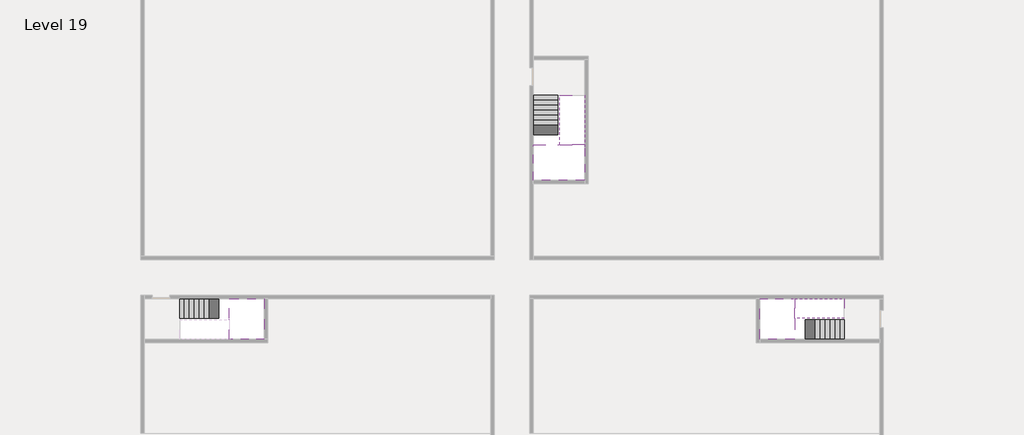
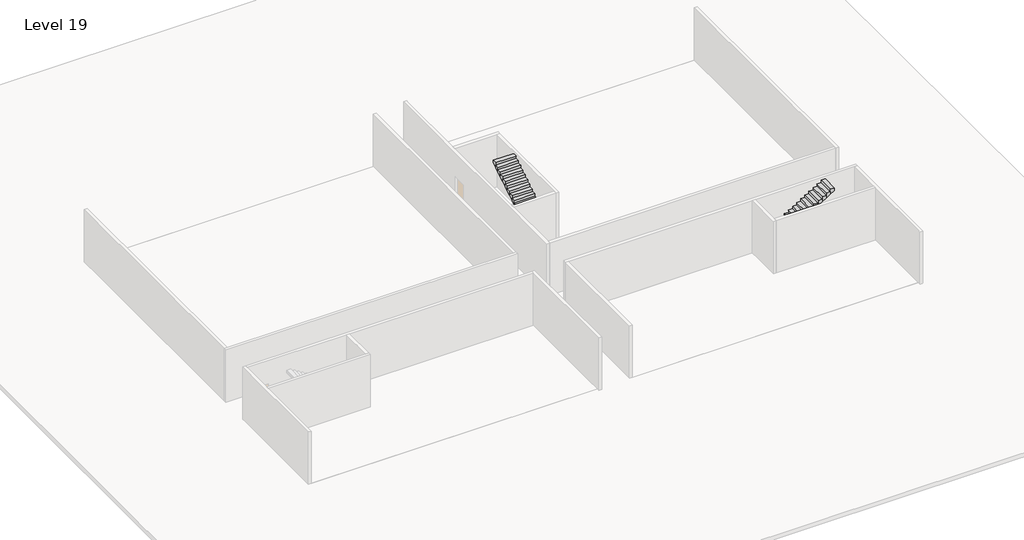
# One storey, part 2 of 2: 5 stair flights, 3 slabs.
"""IFC4 building model written with IfcOpenShell, lengths in millimetres."""

from ifc_helpers import new_model, si_unit, origin, place, context, project, spatial, faceted_brep, element, save

model = new_model("IFC4")

# Units and contexts
model_context = context("Model", 3, world=origin())
ifc_project = project(units=[si_unit("LENGTHUNIT", "METRE", prefix="MILLI")], contexts=[model_context])

# Site, building, storey
site = spatial("IfcSite", under=ifc_project)
building = spatial("IfcBuilding", under=site)
storey = spatial("IfcBuildingStorey", under=building, Name="Level 19", Elevation=68400.0)

# Slabs
placement = place(None, origin())
element("IfcSlab", 1, at=placement, inside=storey, context=model_context, shape_type="Brep", body=[
    faceted_brep([(8190.1058784, -42918.09644, 70300.0), (8190.1058784, -44018.09644, 70300.0), (8190.1058784, -44118.09644, 70300.0), (8190.1058784, -45218.09644, 70300.0), (8390.7194421, -45218.09644, 70300.0), (10190.1058784, -45218.09644, 70300.0), (10190.1058784, -42918.09644, 70300.0), (8269.4923146, -42918.09644, 70300.0), (8190.1058784, -42918.09644, 70127.2727273), (8190.1058784, -42918.09644, 69951.0278478), (8190.1058784, -44018.09644, 69951.0278478), (8190.1058784, -44018.09644, 70000.0), (8190.1058784, -44118.09644, 70000.0), (8190.1058784, -44118.09644, 70123.7551205), (8190.1058784, -45218.09644, 70123.7551205), (8390.7194421, -45218.09644, 70000.0), (10190.1058784, -45218.09644, 70000.0), (10190.1058784, -42918.09644, 70000.0), (8269.4923146, -42918.09644, 70000.0), (8390.7194421, -44118.09644, 70000.0), (8269.4923146, -44018.09644, 70000.0)], [[[0, 1, 2, 3, 4, 5, 6, 7]], [[1, 0, 8, 9, 10, 11]], [[2, 1, 11, 12, 13]], [[3, 2, 13, 14]], [[3, 14, 15, 16, 5, 4]], [[6, 5, 16, 17]], [[9, 8, 0, 7, 6, 17, 18]], [[19, 12, 11, 20, 18, 17, 16, 15]], [[12, 19, 13]], [[18, 20, 10, 9]], [[20, 11, 10]], [[19, 15, 14, 13]]]),
])
element("IfcSlab", 2, at=placement, inside=storey, context=model_context, shape_type="Brep", body=[
    faceted_brep([(40190.1058784, -45218.09644, 70300.0), (40190.1058784, -44118.09644, 70300.0), (40190.1058784, -44018.09644, 70300.0), (40190.1058784, -42918.09644, 70300.0), (39989.4923146, -42918.09644, 70300.0), (38190.1058784, -42918.09644, 70300.0), (38190.1058784, -45218.09644, 70300.0), (40110.7194421, -45218.09644, 70300.0), (40190.1058784, -45218.09644, 70127.2727273), (40190.1058784, -45218.09644, 69951.0278478), (40190.1058784, -44118.09644, 69951.0278478), (40190.1058784, -44118.09644, 70000.0), (40190.1058784, -44018.09644, 70000.0), (40190.1058784, -44018.09644, 70123.7551205), (40190.1058784, -42918.09644, 70123.7551205), (39989.4923146, -42918.09644, 70000.0), (38190.1058784, -42918.09644, 70000.0), (38190.1058784, -45218.09644, 70000.0), (40110.7194421, -45218.09644, 70000.0), (39989.4923146, -44018.09644, 70000.0), (40110.7194421, -44118.09644, 70000.0)], [[[0, 1, 2, 3, 4, 5, 6, 7]], [[1, 0, 8, 9, 10, 11]], [[2, 1, 11, 12, 13]], [[3, 2, 13, 14]], [[3, 14, 15, 16, 5, 4]], [[6, 5, 16, 17]], [[9, 8, 0, 7, 6, 17, 18]], [[19, 12, 11, 20, 18, 17, 16, 15]], [[12, 19, 13]], [[18, 20, 10, 9]], [[20, 11, 10]], [[19, 15, 14, 13]]]),
])
element("IfcSlab", 3, at=placement, inside=storey, context=model_context, shape_type="Brep", body=[
    faceted_brep([(26790.1058784, -34218.09644, 70300.0), (25390.1058784, -34218.09644, 70300.0), (25390.1058784, -34297.4828763, 70300.0), (25390.1058784, -36218.09644, 70300.0), (28290.1058784, -36218.09644, 70300.0), (28290.1058784, -34418.7100038, 70300.0), (28290.1058784, -34218.09644, 70300.0), (26890.1058784, -34218.09644, 70300.0), (26790.1058784, -34218.09644, 70000.0), (26790.1058784, -34218.09644, 69951.0278478), (25390.1058784, -34218.09644, 69951.0278478), (25390.1058784, -34218.09644, 70127.2727273), (25390.1058784, -34297.4828763, 70000.0), (25390.1058784, -36218.09644, 70000.0), (28290.1058784, -36218.09644, 70000.0), (28290.1058784, -34418.7100038, 70000.0), (28290.1058784, -34218.09644, 70123.7551205), (26890.1058784, -34218.09644, 70123.7551205), (26890.1058784, -34218.09644, 70000.0), (26890.1058784, -34418.7100038, 70000.0), (26790.1058784, -34297.4828763, 70000.0)], [[[0, 1, 2, 3, 4, 5, 6, 7]], [[1, 0, 8, 9, 10, 11]], [[1, 11, 10, 12, 13, 3, 2]], [[4, 3, 13, 14]], [[4, 14, 15, 16, 6, 5]], [[7, 6, 16, 17]], [[0, 7, 17, 18, 8]], [[18, 19, 15, 14, 13, 12, 20, 8]], [[19, 18, 17]], [[20, 12, 10, 9]], [[8, 20, 9]], [[15, 19, 17, 16]]]),
])

# Stair flights
element("IfcStairFlight", 4, at=placement, inside=storey, context=model_context, shape_type="Brep", body=[
    faceted_brep([(5670.1058784, -42918.09644, 68572.7272727), (5390.1058784, -42918.09644, 68572.7272727), (5390.1058784, -44018.09644, 68572.7272727), (5670.1058784, -44018.09644, 68572.7272727), (5670.1058784, -42918.09644, 68400.0), (5390.1058784, -42918.09644, 68400.0), (5390.1058784, -44018.09644, 68400.0), (5670.1058784, -44018.09644, 68400.0), (5950.1058784, -42918.09644, 68745.4545455), (5670.1058784, -42918.09644, 68745.4545455), (5670.1058784, -44018.09644, 68745.4545455), (5950.1058784, -44018.09644, 68745.4545455), (5950.1058784, -42918.09644, 68569.209666), (5675.8081041, -42918.09644, 68400.0), (5675.8081041, -44018.09644, 68400.0), (5950.1058784, -44018.09644, 68569.209666), (6230.1058784, -42918.09644, 68918.1818182), (5950.1058784, -42918.09644, 68918.1818182), (5950.1058784, -44018.09644, 68918.1818182), (6230.1058784, -44018.09644, 68918.1818182), (6230.1058784, -42918.09644, 68741.9369387), (6230.1058784, -44018.09644, 68741.9369387), (6510.1058784, -42918.09644, 69090.9090909), (6230.1058784, -42918.09644, 69090.9090909), (6230.1058784, -44018.09644, 69090.9090909), (6510.1058784, -44018.09644, 69090.9090909), (6510.1058784, -42918.09644, 68914.6642114), (6510.1058784, -44018.09644, 68914.6642114), (6790.1058784, -42918.09644, 69263.6363636), (6510.1058784, -42918.09644, 69263.6363636), (6510.1058784, -44018.09644, 69263.6363636), (6790.1058784, -44018.09644, 69263.6363636), (6790.1058784, -42918.09644, 69087.3914841), (6790.1058784, -44018.09644, 69087.3914841), (7070.1058784, -42918.09644, 69436.3636364), (6790.1058784, -42918.09644, 69436.3636364), (6790.1058784, -44018.09644, 69436.3636364), (7070.1058784, -44018.09644, 69436.3636364), (7070.1058784, -42918.09644, 69260.1187569), (7070.1058784, -44018.09644, 69260.1187569), (7350.1058784, -42918.09644, 69609.0909091), (7070.1058784, -42918.09644, 69609.0909091), (7070.1058784, -44018.09644, 69609.0909091), (7350.1058784, -44018.09644, 69609.0909091), (7350.1058784, -42918.09644, 69432.8460296), (7350.1058784, -44018.09644, 69432.8460296), (7630.1058784, -42918.09644, 69781.8181818), (7350.1058784, -42918.09644, 69781.8181818), (7350.1058784, -44018.09644, 69781.8181818), (7630.1058784, -44018.09644, 69781.8181818), (7630.1058784, -42918.09644, 69605.5733023), (7630.1058784, -44018.09644, 69605.5733023), (7910.1058784, -42918.09644, 69954.5454545), (7630.1058784, -42918.09644, 69954.5454545), (7630.1058784, -44018.09644, 69954.5454545), (7910.1058784, -44018.09644, 69954.5454545), (7910.1058784, -42918.09644, 69778.3005751), (7910.1058784, -44018.09644, 69778.3005751), (8190.1058784, -42918.09644, 70127.2727273), (7910.1058784, -42918.09644, 70127.2727273), (7910.1058784, -44018.09644, 70127.2727273), (8190.1058784, -44018.09644, 70127.2727273), (8190.1058784, -42918.09644, 69951.0278478), (8190.1058784, -44018.09644, 69951.0278478), (8190.1058784, -44018.09644, 70000.0)], [[[0, 1, 2, 3]], [[1, 0, 4, 5]], [[2, 1, 5, 6]], [[3, 2, 6, 7]], [[8, 9, 10, 11]], [[4, 0, 9, 8, 12, 13]], [[0, 3, 10, 9]], [[3, 7, 14, 15, 11, 10]], [[16, 17, 18, 19]], [[17, 16, 20, 12, 8]], [[8, 11, 18, 17]], [[19, 18, 11, 15, 21]], [[22, 23, 24, 25]], [[23, 22, 26, 20, 16]], [[16, 19, 24, 23]], [[25, 24, 19, 21, 27]], [[28, 29, 30, 31]], [[29, 28, 32, 26, 22]], [[22, 25, 30, 29]], [[31, 30, 25, 27, 33]], [[34, 35, 36, 37]], [[35, 34, 38, 32, 28]], [[28, 31, 36, 35]], [[37, 36, 31, 33, 39]], [[40, 41, 42, 43]], [[41, 40, 44, 38, 34]], [[34, 37, 42, 41]], [[43, 42, 37, 39, 45]], [[46, 47, 48, 49]], [[47, 46, 50, 44, 40]], [[40, 43, 48, 47]], [[49, 48, 43, 45, 51]], [[52, 53, 54, 55]], [[53, 52, 56, 50, 46]], [[46, 49, 54, 53]], [[55, 54, 49, 51, 57]], [[58, 59, 60, 61]], [[59, 58, 62, 56, 52]], [[52, 55, 60, 59]], [[61, 60, 55, 57, 63, 64]], [[58, 61, 64, 63, 62]], [[5, 4, 13, 14, 7, 6]], [[14, 13, 12, 20, 26, 32, 38, 44, 50, 56, 62, 63, 57, 51, 45, 39, 33, 27, 21, 15]]]),
])
element("IfcStairFlight", 5, at=placement, inside=storey, context=model_context, shape_type="Brep", body=[
    faceted_brep([(42710.1058784, -45218.09644, 68572.7272727), (42990.1058784, -45218.09644, 68572.7272727), (42990.1058784, -44118.09644, 68572.7272727), (42710.1058784, -44118.09644, 68572.7272727), (42710.1058784, -45218.09644, 68400.0), (42990.1058784, -45218.09644, 68400.0), (42990.1058784, -44118.09644, 68400.0), (42710.1058784, -44118.09644, 68400.0), (42430.1058784, -45218.09644, 68745.4545455), (42710.1058784, -45218.09644, 68745.4545455), (42710.1058784, -44118.09644, 68745.4545455), (42430.1058784, -44118.09644, 68745.4545455), (42430.1058784, -45218.09644, 68569.209666), (42704.4036527, -45218.09644, 68400.0), (42704.4036527, -44118.09644, 68400.0), (42430.1058784, -44118.09644, 68569.209666), (42150.1058784, -45218.09644, 68918.1818182), (42430.1058784, -45218.09644, 68918.1818182), (42430.1058784, -44118.09644, 68918.1818182), (42150.1058784, -44118.09644, 68918.1818182), (42150.1058784, -45218.09644, 68741.9369387), (42150.1058784, -44118.09644, 68741.9369387), (41870.1058784, -45218.09644, 69090.9090909), (42150.1058784, -45218.09644, 69090.9090909), (42150.1058784, -44118.09644, 69090.9090909), (41870.1058784, -44118.09644, 69090.9090909), (41870.1058784, -45218.09644, 68914.6642114), (41870.1058784, -44118.09644, 68914.6642114), (41590.1058784, -45218.09644, 69263.6363636), (41870.1058784, -45218.09644, 69263.6363636), (41870.1058784, -44118.09644, 69263.6363636), (41590.1058784, -44118.09644, 69263.6363636), (41590.1058784, -45218.09644, 69087.3914841), (41590.1058784, -44118.09644, 69087.3914841), (41310.1058784, -45218.09644, 69436.3636364), (41590.1058784, -45218.09644, 69436.3636364), (41590.1058784, -44118.09644, 69436.3636364), (41310.1058784, -44118.09644, 69436.3636364), (41310.1058784, -45218.09644, 69260.1187569), (41310.1058784, -44118.09644, 69260.1187569), (41030.1058784, -45218.09644, 69609.0909091), (41310.1058784, -45218.09644, 69609.0909091), (41310.1058784, -44118.09644, 69609.0909091), (41030.1058784, -44118.09644, 69609.0909091), (41030.1058784, -45218.09644, 69432.8460296), (41030.1058784, -44118.09644, 69432.8460296), (40750.1058784, -45218.09644, 69781.8181818), (41030.1058784, -45218.09644, 69781.8181818), (41030.1058784, -44118.09644, 69781.8181818), (40750.1058784, -44118.09644, 69781.8181818), (40750.1058784, -45218.09644, 69605.5733023), (40750.1058784, -44118.09644, 69605.5733023), (40470.1058784, -45218.09644, 69954.5454545), (40750.1058784, -45218.09644, 69954.5454545), (40750.1058784, -44118.09644, 69954.5454545), (40470.1058784, -44118.09644, 69954.5454545), (40470.1058784, -45218.09644, 69778.3005751), (40470.1058784, -44118.09644, 69778.3005751), (40190.1058784, -45218.09644, 70127.2727273), (40470.1058784, -45218.09644, 70127.2727273), (40470.1058784, -44118.09644, 70127.2727273), (40190.1058784, -44118.09644, 70127.2727273), (40190.1058784, -45218.09644, 69951.0278478), (40190.1058784, -44118.09644, 69951.0278478), (40190.1058784, -44118.09644, 70000.0)], [[[0, 1, 2, 3]], [[1, 0, 4, 5]], [[2, 1, 5, 6]], [[3, 2, 6, 7]], [[8, 9, 10, 11]], [[4, 0, 9, 8, 12, 13]], [[0, 3, 10, 9]], [[3, 7, 14, 15, 11, 10]], [[16, 17, 18, 19]], [[17, 16, 20, 12, 8]], [[8, 11, 18, 17]], [[19, 18, 11, 15, 21]], [[22, 23, 24, 25]], [[23, 22, 26, 20, 16]], [[16, 19, 24, 23]], [[25, 24, 19, 21, 27]], [[28, 29, 30, 31]], [[29, 28, 32, 26, 22]], [[22, 25, 30, 29]], [[31, 30, 25, 27, 33]], [[34, 35, 36, 37]], [[35, 34, 38, 32, 28]], [[28, 31, 36, 35]], [[37, 36, 31, 33, 39]], [[40, 41, 42, 43]], [[41, 40, 44, 38, 34]], [[34, 37, 42, 41]], [[43, 42, 37, 39, 45]], [[46, 47, 48, 49]], [[47, 46, 50, 44, 40]], [[40, 43, 48, 47]], [[49, 48, 43, 45, 51]], [[52, 53, 54, 55]], [[53, 52, 56, 50, 46]], [[46, 49, 54, 53]], [[55, 54, 49, 51, 57]], [[58, 59, 60, 61]], [[59, 58, 62, 56, 52]], [[52, 55, 60, 59]], [[61, 60, 55, 57, 63, 64]], [[58, 61, 64, 63, 62]], [[5, 4, 13, 14, 7, 6]], [[14, 13, 12, 20, 26, 32, 38, 44, 50, 56, 62, 63, 57, 51, 45, 39, 33, 27, 21, 15]]]),
])
element("IfcStairFlight", 6, at=placement, inside=storey, context=model_context, shape_type="Brep", body=[
    faceted_brep([(40470.1058784, -42918.09644, 70472.7272727), (40190.1058784, -42918.09644, 70472.7272727), (40190.1058784, -44018.09644, 70472.7272727), (40470.1058784, -44018.09644, 70472.7272727), (40470.1058784, -42918.09644, 70296.4823932), (40190.1058784, -42918.09644, 70123.7551205), (40190.1058784, -42918.09644, 70300.0), (40190.1058784, -44018.09644, 70123.7551205), (40470.1058784, -44018.09644, 70296.4823932), (40750.1058784, -42918.09644, 70645.4545455), (40470.1058784, -42918.09644, 70645.4545455), (40470.1058784, -44018.09644, 70645.4545455), (40750.1058784, -44018.09644, 70645.4545455), (40750.1058784, -42918.09644, 70469.209666), (40750.1058784, -44018.09644, 70469.209666), (41030.1058784, -42918.09644, 70818.1818182), (40750.1058784, -42918.09644, 70818.1818182), (40750.1058784, -44018.09644, 70818.1818182), (41030.1058784, -44018.09644, 70818.1818182), (41030.1058784, -42918.09644, 70641.9369387), (41030.1058784, -44018.09644, 70641.9369387), (41310.1058784, -42918.09644, 70990.9090909), (41030.1058784, -42918.09644, 70990.9090909), (41030.1058784, -44018.09644, 70990.9090909), (41310.1058784, -44018.09644, 70990.9090909), (41310.1058784, -42918.09644, 70814.6642114), (41310.1058784, -44018.09644, 70814.6642114), (41590.1058784, -42918.09644, 71163.6363636), (41310.1058784, -42918.09644, 71163.6363636), (41310.1058784, -44018.09644, 71163.6363636), (41590.1058784, -44018.09644, 71163.6363636), (41590.1058784, -42918.09644, 70987.3914841), (41590.1058784, -44018.09644, 70987.3914841), (41870.1058784, -42918.09644, 71336.3636364), (41590.1058784, -42918.09644, 71336.3636364), (41590.1058784, -44018.09644, 71336.3636364), (41870.1058784, -44018.09644, 71336.3636364), (41870.1058784, -42918.09644, 71160.1187569), (41870.1058784, -44018.09644, 71160.1187569), (42150.1058784, -42918.09644, 71509.0909091), (41870.1058784, -42918.09644, 71509.0909091), (41870.1058784, -44018.09644, 71509.0909091), (42150.1058784, -44018.09644, 71509.0909091), (42150.1058784, -42918.09644, 71332.8460296), (42150.1058784, -44018.09644, 71332.8460296), (42430.1058784, -42918.09644, 71681.8181818), (42150.1058784, -42918.09644, 71681.8181818), (42150.1058784, -44018.09644, 71681.8181818), (42430.1058784, -44018.09644, 71681.8181818), (42430.1058784, -42918.09644, 71505.5733023), (42430.1058784, -44018.09644, 71505.5733023), (42710.1058784, -42918.09644, 71854.5454545), (42430.1058784, -42918.09644, 71854.5454545), (42430.1058784, -44018.09644, 71854.5454545), (42710.1058784, -44018.09644, 71854.5454545), (42710.1058784, -42918.09644, 71678.3005751), (42710.1058784, -44018.09644, 71678.3005751), (42990.1058784, -42918.09644, 72027.2727273), (42710.1058784, -42918.09644, 72027.2727273), (42710.1058784, -44018.09644, 72027.2727273), (42990.1058784, -44018.09644, 72027.2727273), (42990.1058784, -42918.09644, 71851.0278478), (42990.1058784, -44018.09644, 71851.0278478)], [[[0, 1, 2, 3]], [[1, 0, 4, 5, 6]], [[2, 1, 6, 5, 7]], [[3, 2, 7, 8]], [[9, 10, 11, 12]], [[10, 9, 13, 4, 0]], [[11, 10, 0, 3]], [[12, 11, 3, 8, 14]], [[15, 16, 17, 18]], [[16, 15, 19, 13, 9]], [[17, 16, 9, 12]], [[18, 17, 12, 14, 20]], [[21, 22, 23, 24]], [[22, 21, 25, 19, 15]], [[23, 22, 15, 18]], [[24, 23, 18, 20, 26]], [[27, 28, 29, 30]], [[28, 27, 31, 25, 21]], [[29, 28, 21, 24]], [[30, 29, 24, 26, 32]], [[33, 34, 35, 36]], [[34, 33, 37, 31, 27]], [[35, 34, 27, 30]], [[36, 35, 30, 32, 38]], [[39, 40, 41, 42]], [[40, 39, 43, 37, 33]], [[41, 40, 33, 36]], [[42, 41, 36, 38, 44]], [[45, 46, 47, 48]], [[46, 45, 49, 43, 39]], [[47, 46, 39, 42]], [[48, 47, 42, 44, 50]], [[51, 52, 53, 54]], [[52, 51, 55, 49, 45]], [[53, 52, 45, 48]], [[54, 53, 48, 50, 56]], [[57, 58, 59, 60]], [[58, 57, 61, 55, 51]], [[59, 58, 51, 54]], [[60, 59, 54, 56, 62]], [[57, 60, 62, 61]], [[5, 4, 13, 19, 25, 31, 37, 43, 49, 55, 61, 62, 56, 50, 44, 38, 32, 26, 20, 14, 8, 7]]]),
])
element("IfcStairFlight", 7, at=placement, inside=storey, context=model_context, shape_type="Brep", body=[
    faceted_brep([(26790.1058784, -31698.09644, 68572.7272727), (26790.1058784, -31418.09644, 68572.7272727), (25390.1058784, -31418.09644, 68572.7272727), (25390.1058784, -31698.09644, 68572.7272727), (26790.1058784, -31698.09644, 68400.0), (26790.1058784, -31418.09644, 68400.0), (25390.1058784, -31418.09644, 68400.0), (25390.1058784, -31698.09644, 68400.0), (26790.1058784, -31978.09644, 68745.4545455), (26790.1058784, -31698.09644, 68745.4545455), (25390.1058784, -31698.09644, 68745.4545455), (25390.1058784, -31978.09644, 68745.4545455), (26790.1058784, -31978.09644, 68569.209666), (26790.1058784, -31703.7986657, 68400.0), (25390.1058784, -31703.7986657, 68400.0), (25390.1058784, -31978.09644, 68569.209666), (26790.1058784, -32258.09644, 68918.1818182), (26790.1058784, -31978.09644, 68918.1818182), (25390.1058784, -31978.09644, 68918.1818182), (25390.1058784, -32258.09644, 68918.1818182), (26790.1058784, -32258.09644, 68741.9369387), (25390.1058784, -32258.09644, 68741.9369387), (26790.1058784, -32538.09644, 69090.9090909), (26790.1058784, -32258.09644, 69090.9090909), (25390.1058784, -32258.09644, 69090.9090909), (25390.1058784, -32538.09644, 69090.9090909), (26790.1058784, -32538.09644, 68914.6642114), (25390.1058784, -32538.09644, 68914.6642114), (26790.1058784, -32818.09644, 69263.6363636), (26790.1058784, -32538.09644, 69263.6363636), (25390.1058784, -32538.09644, 69263.6363636), (25390.1058784, -32818.09644, 69263.6363636), (26790.1058784, -32818.09644, 69087.3914841), (25390.1058784, -32818.09644, 69087.3914841), (26790.1058784, -33098.09644, 69436.3636364), (26790.1058784, -32818.09644, 69436.3636364), (25390.1058784, -32818.09644, 69436.3636364), (25390.1058784, -33098.09644, 69436.3636364), (26790.1058784, -33098.09644, 69260.1187569), (25390.1058784, -33098.09644, 69260.1187569), (26790.1058784, -33378.09644, 69609.0909091), (26790.1058784, -33098.09644, 69609.0909091), (25390.1058784, -33098.09644, 69609.0909091), (25390.1058784, -33378.09644, 69609.0909091), (26790.1058784, -33378.09644, 69432.8460296), (25390.1058784, -33378.09644, 69432.8460296), (26790.1058784, -33658.09644, 69781.8181818), (26790.1058784, -33378.09644, 69781.8181818), (25390.1058784, -33378.09644, 69781.8181818), (25390.1058784, -33658.09644, 69781.8181818), (26790.1058784, -33658.09644, 69605.5733023), (25390.1058784, -33658.09644, 69605.5733023), (26790.1058784, -33938.09644, 69954.5454545), (26790.1058784, -33658.09644, 69954.5454545), (25390.1058784, -33658.09644, 69954.5454545), (25390.1058784, -33938.09644, 69954.5454545), (26790.1058784, -33938.09644, 69778.3005751), (25390.1058784, -33938.09644, 69778.3005751), (26790.1058784, -34218.09644, 70127.2727273), (26790.1058784, -33938.09644, 70127.2727273), (25390.1058784, -33938.09644, 70127.2727273), (25390.1058784, -34218.09644, 70127.2727273), (26790.1058784, -34218.09644, 70000.0), (26790.1058784, -34218.09644, 69951.0278478), (25390.1058784, -34218.09644, 69951.0278478)], [[[0, 1, 2, 3]], [[1, 0, 4, 5]], [[2, 1, 5, 6]], [[3, 2, 6, 7]], [[8, 9, 10, 11]], [[4, 0, 9, 8, 12, 13]], [[0, 3, 10, 9]], [[3, 7, 14, 15, 11, 10]], [[16, 17, 18, 19]], [[17, 16, 20, 12, 8]], [[8, 11, 18, 17]], [[19, 18, 11, 15, 21]], [[22, 23, 24, 25]], [[23, 22, 26, 20, 16]], [[16, 19, 24, 23]], [[25, 24, 19, 21, 27]], [[28, 29, 30, 31]], [[29, 28, 32, 26, 22]], [[22, 25, 30, 29]], [[31, 30, 25, 27, 33]], [[34, 35, 36, 37]], [[35, 34, 38, 32, 28]], [[28, 31, 36, 35]], [[37, 36, 31, 33, 39]], [[40, 41, 42, 43]], [[41, 40, 44, 38, 34]], [[34, 37, 42, 41]], [[43, 42, 37, 39, 45]], [[46, 47, 48, 49]], [[47, 46, 50, 44, 40]], [[40, 43, 48, 47]], [[49, 48, 43, 45, 51]], [[52, 53, 54, 55]], [[53, 52, 56, 50, 46]], [[46, 49, 54, 53]], [[55, 54, 49, 51, 57]], [[58, 59, 60, 61]], [[59, 58, 62, 63, 56, 52]], [[52, 55, 60, 59]], [[61, 60, 55, 57, 64]], [[58, 61, 64, 63, 62]], [[5, 4, 13, 14, 7, 6]], [[14, 13, 12, 20, 26, 32, 38, 44, 50, 56, 63, 64, 57, 51, 45, 39, 33, 27, 21, 15]]]),
])
element("IfcStairFlight", 8, at=placement, inside=storey, context=model_context, shape_type="Brep", body=[
    faceted_brep([(26890.1058784, -33938.09644, 70472.7272727), (26890.1058784, -34218.09644, 70472.7272727), (28290.1058784, -34218.09644, 70472.7272727), (28290.1058784, -33938.09644, 70472.7272727), (26890.1058784, -33938.09644, 70296.4823932), (26890.1058784, -34218.09644, 70123.7551205), (28290.1058784, -34218.09644, 70123.7551205), (28290.1058784, -34218.09644, 70300.0), (28290.1058784, -33938.09644, 70296.4823932), (26890.1058784, -33658.09644, 70645.4545455), (26890.1058784, -33938.09644, 70645.4545455), (28290.1058784, -33938.09644, 70645.4545455), (28290.1058784, -33658.09644, 70645.4545455), (26890.1058784, -33658.09644, 70469.209666), (28290.1058784, -33658.09644, 70469.209666), (26890.1058784, -33378.09644, 70818.1818182), (26890.1058784, -33658.09644, 70818.1818182), (28290.1058784, -33658.09644, 70818.1818182), (28290.1058784, -33378.09644, 70818.1818182), (26890.1058784, -33378.09644, 70641.9369387), (28290.1058784, -33378.09644, 70641.9369387), (26890.1058784, -33098.09644, 70990.9090909), (26890.1058784, -33378.09644, 70990.9090909), (28290.1058784, -33378.09644, 70990.9090909), (28290.1058784, -33098.09644, 70990.9090909), (26890.1058784, -33098.09644, 70814.6642114), (28290.1058784, -33098.09644, 70814.6642114), (26890.1058784, -32818.09644, 71163.6363636), (26890.1058784, -33098.09644, 71163.6363636), (28290.1058784, -33098.09644, 71163.6363636), (28290.1058784, -32818.09644, 71163.6363636), (26890.1058784, -32818.09644, 70987.3914841), (28290.1058784, -32818.09644, 70987.3914841), (26890.1058784, -32538.09644, 71336.3636364), (26890.1058784, -32818.09644, 71336.3636364), (28290.1058784, -32818.09644, 71336.3636364), (28290.1058784, -32538.09644, 71336.3636364), (26890.1058784, -32538.09644, 71160.1187569), (28290.1058784, -32538.09644, 71160.1187569), (26890.1058784, -32258.09644, 71509.0909091), (26890.1058784, -32538.09644, 71509.0909091), (28290.1058784, -32538.09644, 71509.0909091), (28290.1058784, -32258.09644, 71509.0909091), (26890.1058784, -32258.09644, 71332.8460296), (28290.1058784, -32258.09644, 71332.8460296), (26890.1058784, -31978.09644, 71681.8181818), (26890.1058784, -32258.09644, 71681.8181818), (28290.1058784, -32258.09644, 71681.8181818), (28290.1058784, -31978.09644, 71681.8181818), (26890.1058784, -31978.09644, 71505.5733023), (28290.1058784, -31978.09644, 71505.5733023), (26890.1058784, -31698.09644, 71854.5454545), (26890.1058784, -31978.09644, 71854.5454545), (28290.1058784, -31978.09644, 71854.5454545), (28290.1058784, -31698.09644, 71854.5454545), (26890.1058784, -31698.09644, 71678.3005751), (28290.1058784, -31698.09644, 71678.3005751), (26890.1058784, -31418.09644, 72027.2727273), (26890.1058784, -31698.09644, 72027.2727273), (28290.1058784, -31698.09644, 72027.2727273), (28290.1058784, -31418.09644, 72027.2727273), (26890.1058784, -31418.09644, 71851.0278478), (28290.1058784, -31418.09644, 71851.0278478)], [[[0, 1, 2, 3]], [[1, 0, 4, 5]], [[2, 1, 5, 6, 7]], [[3, 2, 7, 6, 8]], [[9, 10, 11, 12]], [[10, 9, 13, 4, 0]], [[11, 10, 0, 3]], [[12, 11, 3, 8, 14]], [[15, 16, 17, 18]], [[16, 15, 19, 13, 9]], [[17, 16, 9, 12]], [[18, 17, 12, 14, 20]], [[21, 22, 23, 24]], [[22, 21, 25, 19, 15]], [[23, 22, 15, 18]], [[24, 23, 18, 20, 26]], [[27, 28, 29, 30]], [[28, 27, 31, 25, 21]], [[29, 28, 21, 24]], [[30, 29, 24, 26, 32]], [[33, 34, 35, 36]], [[34, 33, 37, 31, 27]], [[35, 34, 27, 30]], [[36, 35, 30, 32, 38]], [[39, 40, 41, 42]], [[40, 39, 43, 37, 33]], [[41, 40, 33, 36]], [[42, 41, 36, 38, 44]], [[45, 46, 47, 48]], [[46, 45, 49, 43, 39]], [[47, 46, 39, 42]], [[48, 47, 42, 44, 50]], [[51, 52, 53, 54]], [[52, 51, 55, 49, 45]], [[53, 52, 45, 48]], [[54, 53, 48, 50, 56]], [[57, 58, 59, 60]], [[58, 57, 61, 55, 51]], [[59, 58, 51, 54]], [[60, 59, 54, 56, 62]], [[57, 60, 62, 61]], [[5, 4, 13, 19, 25, 31, 37, 43, 49, 55, 61, 62, 56, 50, 44, 38, 32, 26, 20, 14, 8, 6]]]),
])

save(model, "model.ifc")
